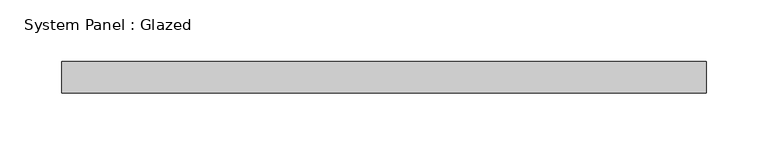
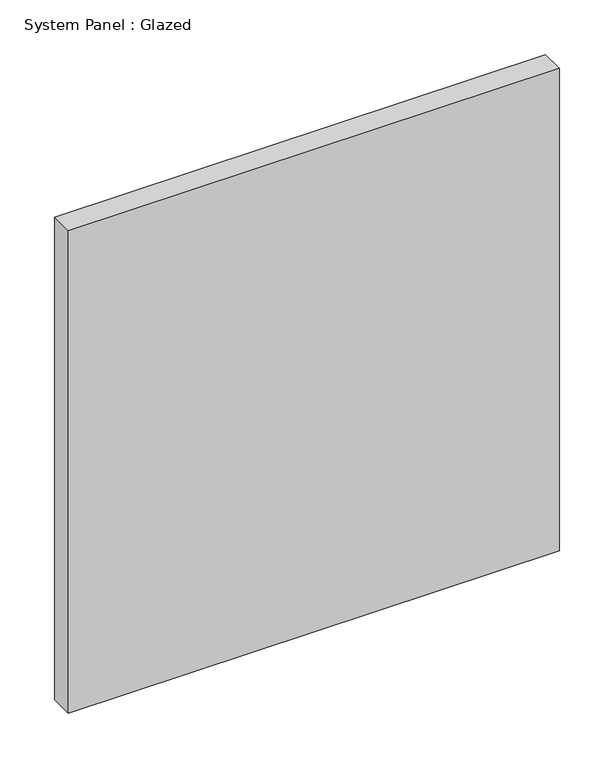
"""IFC4 building model written with IfcOpenShell, lengths in millimetres: plate geometry, System Panel : Glazed."""

from ifc_helpers import new_model, si_unit, origin, origin_with_axes, place, context, project, spatial, polyline, outline, extrude, source, transform, mapped, element, save


def system_panel_glazed_a0b29f46(model_context):
    return source(origin(), model_context, "Body", "SweptSolid", [
        extrude(outline(polyline([(260.0, 19.05), (-260.0, 19.05), (-260.0, 44.45), (260.0, 44.45), (260.0, 19.05)])), origin_with_axes(), (0.0, 0.0, 1.0), 540.0),
    ])


if __name__ == "__main__":
    model = new_model("IFC4")
    model_context = context("Model", 3, world=origin())
    ifc_project = project(units=[si_unit("LENGTHUNIT", "METRE", prefix="MILLI")], contexts=[model_context])
    site = spatial("IfcSite", under=ifc_project)
    building = spatial("IfcBuilding", under=site)
    placement = place(None, origin())
    system_panel_glazed_shape = system_panel_glazed_a0b29f46(model_context)
    element("IfcPlate", 1, ObjectType="System Panel : Glazed", at=placement, inside=building, context=model_context, shape_type="MappedRepresentation", body=[
        mapped(system_panel_glazed_shape, transform((0.0, 0.0, 0.0), x_axis=(1.0, 0.0, 0.0), y_axis=(0.0, 1.0, 0.0), z_axis=(0.0, 0.0, 1.0))),
    ])
    save(model, "model.ifc")
